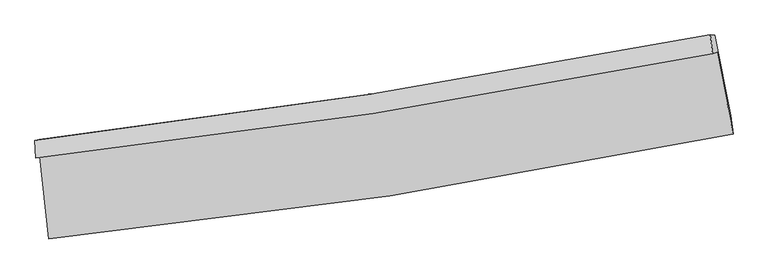
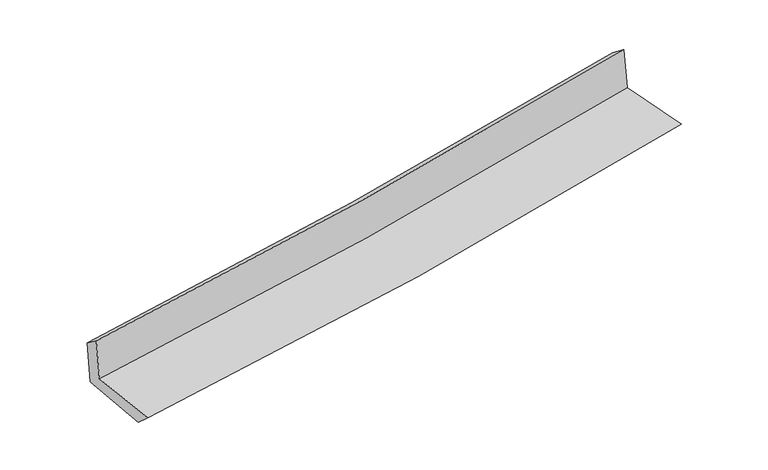
"""IFC4 building model written with IfcOpenShell, lengths in millimetres: proxy geometry."""

from ifc_helpers import new_model, si_unit, frame, origin, place, context, project, spatial, source, transform, mapped, element, save
from ifc_brep_helpers import plane_surface, spline_curve, spline_surface, advanced_brep


def generic_models_18ea0b54(model_context):
    return source(origin(), model_context, "Body", "AdvancedBrep", [
        advanced_brep(
        [(-2737.2465632, -1898.1892378, 1654.6369535), (-2665.9513665, -2559.8254522, 1644.0145806), (2827.194406, -1719.0240567, 2128.8860976), (2698.0711504, -1061.0444147, 2134.25332), (-2772.5372308, -1908.3401109, 2050.0410912), (2662.7804828, -1071.1952878, 2529.6574578), (-2777.6221592, -1771.3990568, 1947.0948536), (2644.1357328, -920.2478085, 2414.4418808), (-2741.6599633, -1761.0550279, 1544.1667699), (2680.6832216, -921.3324284, 2029.0028568), (-2669.6937947, -2410.8570903, 1512.5758827), (2809.579969, -1567.9134986, 2002.4030285)],
        [
            (0, 1),
            (1, 2, spline_curve(3, [(-2665.9513665, -2559.8254522, 1644.0145806), (-1750.00849113, -2469.096330899, 1720.325299654), (-837.696397147, -2354.375056415, 1798.567512847), (993.463287523, -2074.842030448, 1960.13225227), (1912.199784069, -1909.296173332, 2043.513878217), (2827.194406, -1719.0240567, 2128.8860976)], [4, 2, 4], [0.0, 9.03769641464703, 18.21261764421926])),
            (2, 3),
            (3, 0, spline_curve(3, [(2698.0711504, -1061.0444147, 2134.25332), (1791.969106483, -1241.895391916, 2049.916643393), (882.537294746, -1402.456848212, 1967.493440677), (-929.334135082, -1680.90274057, 1807.678128205), (-1831.674894543, -1799.389558438, 1730.229208827), (-2737.2465632, -1898.1892378, 1654.6369535)], [4, 2, 4], [0.0, 9.17492122957223, 18.21261764421926])),
            (4, 0),
            (3, 5),
            (5, 4, spline_curve(3, [(2662.7804828, -1071.1952878, 2529.6574578), (1756.379957451, -1252.132119071, 2448.665029183), (846.800029498, -1412.736179165, 2367.901351872), (-965.066935872, -1691.180787094, 2208.036021277), (-1867.259579266, -1809.625001641, 2128.927576476), (-2772.5372308, -1908.3401109, 2050.0410912)], [4, 2, 4], [0.0, 9.126437760065778, 18.116375848775817])),
            (6, 4),
            (5, 7),
            (7, 6, spline_curve(3, [(2644.1357328, -920.2478085, 2414.4418808), (1739.636011179, -1094.528518485, 2328.613075578), (832.146401366, -1253.014450413, 2246.487340296), (-975.194997282, -1536.262596897, 2090.814939796), (-1874.958018066, -1661.493747694, 2017.158332465), (-2777.6221592, -1771.3990568, 1947.0948536)], [4, 2, 4], [0.0, 9.115771960323864, 18.095203772448535])),
            (8, 6),
            (7, 9),
            (9, 8, spline_curve(3, [(2680.6832216, -921.3324284, 2029.0028568), (1775.330136324, -1097.597946381, 1952.79200182), (867.367547421, -1256.102011842, 1873.959541376), (-940.157655444, -1535.482219645, 1712.269678695), (-1839.642794892, -1656.88568707, 1629.490110035), (-2741.6599633, -1761.0550279, 1544.1667699)], [4, 2, 4], [0.0, 9.105583350982652, 18.07497893981894])),
            (10, 8),
            (9, 11),
            (11, 10, spline_curve(3, [(2809.579969, -1567.9134986, 2002.4030285), (1894.504958582, -1746.95610057, 1925.224382086), (976.902056841, -1907.110722084, 1845.489459294), (-849.597582251, -2187.531147974, 1682.137849975), (-1758.419268652, -2308.357723533, 1598.597057471), (-2669.6937947, -2410.8570903, 1512.5758827)], [4, 2, 4], [0.0, 9.153310465136734, 18.169719336995172])),
            (1, 10),
            (11, 2),
        ],
        [
            spline_surface(3, 3, [[(-2737.2465632, -1898.1892378, 1654.6369535), (-1831.674894547, -1799.389558503, 1730.229208714), (-929.334135049, -1680.90274047, 1807.678128225), (882.537294712, -1402.456848313, 1967.493440657), (1791.969106409, -1241.895391951, 2049.916643271), (2698.0711504, -1061.0444147, 2134.25332)], [(-2713.481497645, -2118.734642619, 1651.096162554), (-1804.452760125, -2022.625149344, 1726.927905731), (-898.788222402, -1905.39351244, 1804.641256385), (919.512625632, -1626.585242384, 1965.039711211), (1832.045998982, -1464.362319069, 2047.782388281), (2741.112235591, -1280.370962049, 2132.464245852)], [(-2689.716432055, -2339.280047381, 1647.555371546), (-1777.230625669, -2245.860740127, 1723.626602686), (-868.242309748, -2129.884284389, 1801.604384592), (956.487956558, -1850.713636434, 1962.585981812), (1872.122891581, -1686.82924614, 2045.648133336), (2784.153320809, -1499.697509351, 2130.675171748)], [(-2665.9513665, -2559.8254522, 1644.0145806), (-1750.008491248, -2469.096330968, 1720.325299703), (-837.696397102, -2354.375056359, 1798.567512752), (993.463287477, -2074.842030505, 1960.132252366), (1912.199784154, -1909.296173259, 2043.513878346), (2827.194406, -1719.0240567, 2128.8860976)]], [4, 4], [4, 2, 4], [0.0, 2.2328427145985836], [0.0, 9.03769641464703, 18.21261764421926]),
            spline_surface(3, 3, [[(-2772.5372308, -1908.3401109, 2050.0410912), (-1867.259579237, -1809.625001558, 2128.927576355), (-965.066935947, -1691.180787169, 2208.036021215), (846.800029574, -1412.736179089, 2367.901351934), (1756.37995748, -1252.132119083, 2448.665029299), (2662.7804828, -1071.1952878, 2529.6574578)], [(-2760.77367492, -1904.956486528, 1918.239711962), (-1855.39801766, -1806.213187201, 1996.028120471), (-953.156002305, -1687.754771619, 2074.583390222), (858.712451296, -1409.309735513, 2234.432048179), (1768.243007136, -1248.7198767, 2315.748900652), (2674.54403868, -1067.811663428, 2397.856078562)], [(-2749.01011908, -1901.572862172, 1786.438332738), (-1843.536456123, -1802.80137286, 1863.128664599), (-941.24506869, -1684.32875602, 1941.130759218), (870.624872991, -1405.883291888, 2100.962744412), (1780.106056753, -1245.307634334, 2182.832771918), (2686.30759452, -1064.428039072, 2266.054699238)], [(-2737.2465632, -1898.1892378, 1654.6369535), (-1831.674894547, -1799.389558503, 1730.229208714), (-929.334135049, -1680.90274047, 1807.678128225), (882.537294712, -1402.456848313, 1967.493440657), (1791.969106409, -1241.895391951, 2049.916643271), (2698.0711504, -1061.0444147, 2134.25332)]], [4, 4], [4, 2, 4], [0.0, 1.319245215904407], [0.0, 8.989938088710039, 18.116375848775817]),
            spline_surface(3, 3, [[(-2777.6221592, -1771.3990568, 1947.0948536), (-1874.95801805, -1661.493747577, 2017.158332452), (-975.19499717, -1536.262596894, 2090.814939684), (832.146401253, -1253.014450417, 2246.487340409), (1739.636011043, -1094.528518363, 2328.613075622), (2644.1357328, -920.2478085, 2414.4418808)], [(-2775.927183066, -1817.046074812, 1981.410266123), (-1872.391871778, -1710.870832216, 2054.414747076), (-971.818976767, -1587.901993651, 2129.88863352), (837.030944023, -1306.255026639, 2286.958677577), (1745.217326527, -1147.063051943, 2368.630393515), (2650.350649472, -970.563634941, 2452.847073133)], [(-2774.232206934, -1862.693092888, 2015.725678677), (-1869.825725509, -1760.247916919, 2091.671161731), (-968.442956351, -1639.541390412, 2168.962327379), (841.915486805, -1359.495602867, 2327.430014766), (1750.798641996, -1199.597585502, 2408.647711407), (2656.565566128, -1020.879461359, 2491.252265467)], [(-2772.5372308, -1908.3401109, 2050.0410912), (-1867.259579237, -1809.625001558, 2128.927576355), (-965.066935947, -1691.180787169, 2208.036021215), (846.800029574, -1412.736179089, 2367.901351934), (1756.37995748, -1252.132119083, 2448.665029299), (2662.7804828, -1071.1952878, 2529.6574578)]], [4, 4], [4, 2, 4], [0.0, 0.6492348217590899], [0.0, 8.979431812124671, 18.095203772448535]),
            spline_surface(3, 3, [[(-2741.6599633, -1761.0550279, 1544.1667699), (-1839.642794788, -1656.885687219, 1629.490110077), (-940.15765536, -1535.482219547, 1712.269678712), (867.367547335, -1256.102011941, 1873.959541358), (1775.330136214, -1097.597946423, 1952.792001718), (2680.6832216, -921.3324284, 2029.0028568)], [(-2753.647361953, -1764.503037554, 1678.476131132), (-1851.414535895, -1658.421707359, 1758.712850868), (-951.836769309, -1535.742345306, 1838.451432386), (855.627165296, -1255.072824743, 1998.135474392), (1763.432094473, -1096.574803731, 2078.06569301), (2668.500725316, -920.970888428, 2157.482531457)], [(-2765.634760547, -1767.951047146, 1812.785492368), (-1863.186276943, -1659.957727436, 1887.935591661), (-963.515883221, -1536.002471135, 1964.63318601), (843.886783293, -1254.043637616, 2122.311407375), (1751.534052785, -1095.551661055, 2203.33938433), (2656.318229084, -920.609348472, 2285.962206143)], [(-2777.6221592, -1771.3990568, 1947.0948536), (-1874.95801805, -1661.493747577, 2017.158332452), (-975.19499717, -1536.262596894, 2090.814939684), (832.146401253, -1253.014450417, 2246.487340409), (1739.636011043, -1094.528518363, 2328.613075622), (2644.1357328, -920.2478085, 2414.4418808)]], [4, 4], [4, 2, 4], [0.0, 1.2373160163505927], [0.0, 8.969395588836289, 18.07497893981894]),
            spline_surface(3, 3, [[(-2669.6937947, -2410.8570903, 1512.5758827), (-1758.419268554, -2308.35772366, 1598.59705748), (-849.597582347, -2187.531147947, 1682.13784994), (976.902056939, -1907.110722112, 1845.48945933), (1894.504958638, -1746.956100609, 1925.224382141), (2809.579969, -1567.9134986, 2002.4030285)], [(-2693.682517554, -2194.256402811, 1523.106178437), (-1785.493777286, -2091.200378157, 1608.894741683), (-879.784273333, -1970.181505154, 1692.181792863), (940.390553757, -1690.107818728, 1854.979486672), (1854.780017842, -1530.503382545, 1934.413588659), (2766.614386545, -1352.386475198, 2011.269637925)], [(-2717.671240446, -1977.655715389, 1533.636474163), (-1812.568286056, -1874.043032722, 1619.192425875), (-909.970964375, -1752.83186234, 1702.225735788), (903.879050518, -1473.104915325, 1864.469514016), (1815.055077011, -1314.050664487, 1943.6027952), (2723.648804055, -1136.859451802, 2020.136247375)], [(-2741.6599633, -1761.0550279, 1544.1667699), (-1839.642794788, -1656.885687219, 1629.490110077), (-940.15765536, -1535.482219547, 1712.269678712), (867.367547335, -1256.102011941, 1873.959541358), (1775.330136214, -1097.597946423, 1952.792001718), (2680.6832216, -921.3324284, 2029.0028568)]], [4, 4], [4, 2, 4], [0.0, 2.164795633902324], [0.0, 9.016408871858438, 18.169719336995172]),
            spline_surface(3, 3, [[(-2665.9513665, -2559.8254522, 1644.0145806), (-1750.008491248, -2469.096330968, 1720.325299703), (-837.696397102, -2354.375056359, 1798.567512752), (993.463287477, -2074.842030505, 1960.132252366), (1912.199784154, -1909.296173259, 2043.513878346), (2827.194406, -1719.0240567, 2128.8860976)], [(-2667.198842562, -2510.169331576, 1600.201681291), (-1752.812083679, -2415.516795208, 1679.749218953), (-841.66345886, -2298.760420216, 1759.757625151), (987.942877289, -2018.931594369, 1921.917988023), (1906.301508978, -1855.182815699, 2004.084046282), (2821.322926996, -1668.653870656, 2086.72507457)], [(-2668.446318638, -2460.513210924, 1556.388782009), (-1755.615676123, -2361.93725942, 1639.17313823), (-845.630520589, -2243.14578409, 1720.947737541), (982.422467128, -1963.021158248, 1883.703723672), (1900.403233813, -1801.069458169, 1964.654214206), (2815.451448004, -1618.283684644, 2044.56405153)], [(-2669.6937947, -2410.8570903, 1512.5758827), (-1758.419268554, -2308.35772366, 1598.59705748), (-849.597582347, -2187.531147947, 1682.13784994), (976.902056939, -1907.110722112, 1845.48945933), (1894.504958638, -1746.956100609, 1925.224382141), (2809.579969, -1567.9134986, 2002.4030285)]], [4, 4], [4, 2, 4], [0.0, 0.6686498257877898], [0.0, 9.074128013684158, 18.286034005312715]),
            plane_surface(frame((2720.4074938, -1210.1262491, 2206.4407736), z_axis=(0.9772521232398238, 0.19102645035151591, 0.09212590780750167), x_axis=(-0.09439663826239558, 0.0028014092656399136, 0.9955307261912537))),
            plane_surface(frame((-2727.4518463, -2051.610996, 1725.4216886), z_axis=(-0.9902661468501348, -0.10524465990041676, -0.09108523461589771), x_axis=(-0.10712204121408925, 0.9941177687851143, 0.01596026540610423))),
        ],
        [
            (0, [[1, 2, 3, 4]]),
            (1, [[5, -4, 6, 7]]),
            (2, [[8, -7, 9, 10]]),
            (3, [[11, -10, 12, 13]]),
            (4, [[14, -13, 15, 16]]),
            (5, [[17, -16, 18, -2]]),
            (6, [[-12, -9, -6, -3, -18, -15]]),
            (7, [[-1, -5, -8, -11, -14, -17]]),
        ],
    ),
    ])


if __name__ == "__main__":
    model = new_model("IFC4")
    model_context = context("Model", 3, world=origin())
    ifc_project = project(units=[si_unit("LENGTHUNIT", "METRE", prefix="MILLI")], contexts=[model_context])
    site = spatial("IfcSite", under=ifc_project)
    building = spatial("IfcBuilding", under=site)
    placement = place(None, origin())
    generic_models_shape = generic_models_18ea0b54(model_context)
    element("IfcBuildingElementProxy", 1, Name="Generic Models", at=placement, inside=building, context=model_context, shape_type="MappedRepresentation", body=[
        mapped(generic_models_shape, transform((0.0, 0.0, 0.0), x_axis=(1.0, 0.0, 0.0), y_axis=(0.0, 1.0, 0.0), z_axis=(0.0, 0.0, 1.0))),
    ])
    save(model, "model.ifc")
